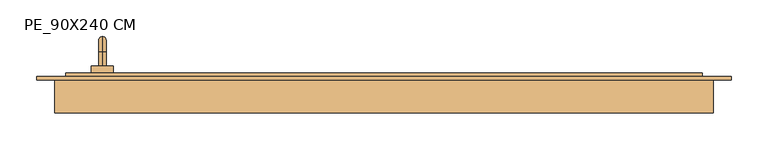
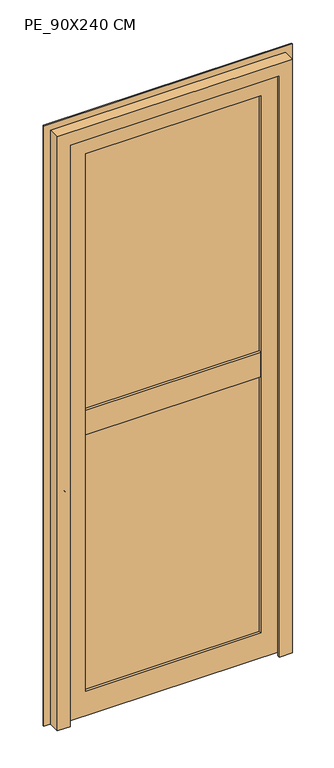
"""IFC4 building model written with IfcOpenShell, lengths in millimetres: door geometry, PE_90X240 CM."""

from ifc_helpers import new_model, si_unit, point, frame, origin, place, context, project, spatial, polyline, circle_curve, ellipse_curve, trimmed, outline, extrude, faceted_brep, source, transform, mapped, element, save
from ifc_brep_helpers import plane_surface, cylinder_surface, revolved_surface, advanced_brep


def pe_90x240_cm_ac53c6d5(model_context):
    return source(origin(), model_context, "Body", "SolidModel", [
        advanced_brep(
        [(-385.0, 170.0, 905.0), (-385.0, 189.0, 905.0), (-385.0, 189.0, 895.0), (-385.0, 170.0, 895.0), (-385.0, 210.0, 884.0), (-385.0, 200.0, 884.0), (-385.0, 210.0, 805.0), (-385.0, 200.0, 805.0), (-400.0, 170.0, 930.0), (-370.0, 170.0, 930.0), (-370.0, 170.0, 870.0), (-400.0, 170.0, 870.0), (-400.0, 160.0, 930.0), (-400.0, 160.0, 870.0), (-370.0, 160.0, 870.0), (-370.0, 160.0, 930.0)],
        [
            (0, 1),
            (1, 2, circle_curve(frame((-385.0, 189.0, 900.0), z_axis=(0.0, -1.0, 0.0), x_axis=(0.0, 0.0, -1.0)), 5.0)),
            (2, 3),
            (3, 0, circle_curve(frame((-385.0, 170.0, 900.0), z_axis=(0.0, 1.0, 0.0), x_axis=(0.0, 0.0, -1.0)), 5.0)),
            (0, 3, circle_curve(frame((-385.0, 170.0, 900.0), z_axis=(0.0, 1.0, 0.0), x_axis=(0.0, 0.0, -1.0)), 5.0)),
            (2, 1, circle_curve(frame((-385.0, 189.0, 900.0), z_axis=(0.0, -1.0, 0.0), x_axis=(0.0, 0.0, -1.0)), 5.0)),
            (1, 4, circle_curve(frame((-385.0, 189.0, 884.0), z_axis=(-1.0, 0.0, 0.0), x_axis=(0.0, 0.0, 1.0)), 21.0)),
            (4, 5, circle_curve(frame((-385.0, 205.0, 884.0), z_axis=(0.0, 0.0, 1.0), x_axis=(0.0, -1.0, 0.0)), 5.0)),
            (5, 2, circle_curve(frame((-385.0, 189.0, 884.0), z_axis=(1.0, 0.0, 0.0), x_axis=(0.0, 0.0, 1.0)), 11.0)),
            (5, 4, circle_curve(frame((-385.0, 205.0, 884.0), z_axis=(0.0, 0.0, 1.0), x_axis=(0.0, -1.0, 0.0)), 5.0)),
            (6, 7, circle_curve(frame((-385.0, 205.0, 805.0), z_axis=(0.0, 0.0, -1.0), x_axis=(0.0, -1.0, 0.0)), 5.0)),
            (7, 6, circle_curve(frame((-385.0, 205.0, 805.0), z_axis=(0.0, 0.0, -1.0), x_axis=(0.0, -1.0, 0.0)), 5.0)),
            (4, 6),
            (7, 5),
            (8, 9),
            (9, 10),
            (10, 11),
            (11, 8),
            (12, 13),
            (13, 14),
            (14, 15),
            (15, 12),
            (8, 12),
            (15, 9),
            (14, 10),
            (13, 11),
        ],
        [
            cylinder_surface(frame((-385.0, 170.0, 900.0), z_axis=(0.0, -1.0, 0.0), x_axis=(0.0, 0.0, -1.0)), 5.0),
            revolved_surface(trimmed(ellipse_curve(frame((-385.0, 189.0, 900.0), z_axis=(0.0, -1.0, 0.0), x_axis=(0.0, 0.0, -1.0)), 5.0, 5.0), [point((-385.0, 189.0, 905.0))], [point((-385.0, 189.0, 895.0))], True, "CARTESIAN"), (-385.0, 189.0, 884.0), (-1.0, 0.0, 0.0)),
            revolved_surface(trimmed(ellipse_curve(frame((-385.0, 189.0, 900.0), z_axis=(0.0, -1.0, 0.0), x_axis=(0.0, 0.0, -1.0)), 5.0, 5.0), [point((-385.0, 189.0, 895.0))], [point((-385.0, 189.0, 905.0))], True, "CARTESIAN"), (-385.0, 189.0, 884.0), (-1.0, 0.0, 0.0)),
            plane_surface(frame((-385.0, 205.0, 805.0), z_axis=(0.0, 0.0, -1.0), x_axis=(-1.0, 0.0, 0.0))),
            cylinder_surface(frame((-385.0, 205.0, 884.0), z_axis=(0.0, 0.0, 1.0), x_axis=(0.0, -1.0, 0.0)), 5.0),
            plane_surface(frame((-370.0, 170.0, 930.0), z_axis=(0.0, 1.0, 0.0), x_axis=(1.0, 0.0, 0.0))),
            plane_surface(frame((-370.0, 160.0, 930.0), z_axis=(0.0, -1.0, 0.0), x_axis=(-1.0, 0.0, 0.0))),
            plane_surface(frame((-400.0, 170.0, 930.0), z_axis=(0.0, 0.0, 1.0), x_axis=(0.0, -1.0, 0.0))),
            plane_surface(frame((-370.0, 170.0, 930.0), z_axis=(1.0, 0.0, 0.0), x_axis=(0.0, -1.0, 0.0))),
            plane_surface(frame((-370.0, 170.0, 870.0), z_axis=(0.0, 0.0, -1.0), x_axis=(0.0, -1.0, 0.0))),
            plane_surface(frame((-400.0, 170.0, 870.0), z_axis=(-1.0, 0.0, 0.0), x_axis=(0.0, -1.0, 0.0))),
        ],
        [
            (0, [[1, 2, 3, 4]]),
            (0, [[-1, 5, -3, 6]]),
            (1, [[-2, 7, 8, 9]]),
            (2, [[-6, -9, 10, -7]]),
            (3, [[11, 12]]),
            (4, [[-8, 13, -12, 14]]),
            (4, [[-10, -14, -11, -13]]),
            (5, [[15, 16, 17, 18], [-4, -5]]),
            (6, [[19, 20, 21, 22]]),
            (7, [[-15, 23, -22, 24]]),
            (8, [[-16, -24, -21, 25]]),
            (9, [[-17, -25, -20, 26]]),
            (10, [[-18, -26, -19, -23]]),
        ],
    ),
        extrude(outline(polyline([(150.0, 23.0), (150.0, 8.0), (145.0, 8.0), (145.0, 13.0), (130.0, 13.0), (130.0, 8.0), (125.0, 8.0), (125.0, 23.0), (150.0, 23.0)])), frame((-435.0, 0.0, 0.0), z_axis=(1.0, 0.0, 0.0), x_axis=(0.0, 1.0, 0.0)), (0.0, 0.0, 1.0), 870.0),
        faceted_brep([(435.0, 115.0, 40.0), (435.0, 115.0, 15.0), (435.0, 125.0, 15.0), (435.0, 125.0, 40.0), (-435.0, 115.0, 40.0), (-435.0, 125.0, 40.0), (-435.0, 125.0, 15.0), (-435.0, 115.0, 15.0), (410.0, 115.0, 40.0), (410.0, 115.0, 2360.0), (-410.0, 115.0, 2360.0), (-410.0, 115.0, 40.0), (-335.0, 115.0, 2285.0), (335.0, 115.0, 2285.0), (335.0, 115.0, 115.0), (-335.0, 115.0, 115.0), (-410.0, 125.0, 40.0), (410.0, 125.0, 40.0), (-435.0, 160.0, 2385.0), (-435.0, 150.0, 2385.0), (435.0, 150.0, 2385.0), (435.0, 160.0, 2385.0), (-360.0, 125.0, 2310.0), (-360.0, 160.0, 2310.0), (360.0, 160.0, 2310.0), (360.0, 125.0, 2310.0), (-335.0, 125.0, 2285.0), (335.0, 125.0, 2285.0), (-410.0, 150.0, 2360.0), (410.0, 150.0, 2360.0), (435.0, 150.0, 15.0), (435.0, 160.0, 15.0), (360.0, 160.0, 90.0), (360.0, 125.0, 90.0), (335.0, 125.0, 115.0), (410.0, 150.0, 40.0), (-435.0, 150.0, 15.0), (-435.0, 160.0, 15.0), (-360.0, 160.0, 90.0), (-360.0, 125.0, 90.0), (-335.0, 125.0, 115.0), (-410.0, 150.0, 40.0)], [[[0, 1, 2, 3]], [[4, 5, 6, 7]], [[1, 0, 8, 9, 10, 11, 4, 7], [12, 13, 14, 15]], [[2, 1, 7, 6]], [[3, 2, 6, 5, 16, 17]], [[0, 3, 17, 8]], [[5, 4, 11, 16]], [[18, 19, 20, 21]], [[22, 23, 24, 25]], [[12, 26, 27, 13]], [[28, 10, 9, 29]], [[21, 20, 30, 31]], [[25, 24, 32, 33]], [[13, 27, 34, 14]], [[29, 9, 8, 17, 35]], [[31, 30, 36, 37]], [[33, 32, 38, 39]], [[14, 34, 40, 15]], [[41, 35, 17, 16]], [[19, 18, 37, 36]], [[18, 21, 31, 37], [24, 23, 38, 32]], [[23, 22, 39, 38]], [[22, 25, 33, 39], [27, 26, 40, 34]], [[26, 12, 15, 40]], [[10, 28, 41, 16, 11]], [[20, 19, 36, 30], [28, 29, 35, 41]]]),
        extrude(outline(polyline([(125.0, 1225.0), (160.0, 1225.0), (160.0, 1175.0), (125.0, 1175.0), (125.0, 1150.0), (115.0, 1150.0), (115.0, 1250.0), (125.0, 1250.0), (125.0, 1225.0)])), frame((-335.0, 0.0, 0.0), z_axis=(1.0, 0.0, 0.0), x_axis=(0.0, 1.0, 0.0)), (0.0, 0.0, 1.0), 670.0),
        extrude(outline(polyline([(335.0, 160.0), (335.0, 139.0), (-335.0, 139.0), (-335.0, 160.0), (335.0, 160.0)])), frame((0.0, 0.0, 1225.0), z_axis=(0.0, 0.0, 1.0), x_axis=(1.0, 0.0, 0.0)), (0.0, 0.0, 1.0), 25.0),
        extrude(outline(polyline([(335.0, 160.0), (335.0, 139.0), (-335.0, 139.0), (-335.0, 160.0), (335.0, 160.0)])), frame((0.0, 0.0, 1150.0), z_axis=(0.0, 0.0, 1.0), x_axis=(1.0, 0.0, 0.0)), (0.0, 0.0, 1.0), 25.0),
        faceted_brep([(-450.0, 105.0, 0.0), (-450.0, 150.0, 0.0), (-425.0, 150.0, 0.0), (-425.0, 115.0, 0.0), (-400.0, 115.0, 0.0), (-400.0, 105.0, 0.0), (-450.0, 105.0, 2400.0), (-450.0, 150.0, 2400.0), (450.0, 150.0, 2400.0), (450.0, 150.0, 0.0), (425.0, 150.0, 0.0), (425.0, 150.0, 2375.0), (-425.0, 150.0, 2375.0), (-425.0, 115.0, 2375.0), (425.0, 115.0, 2375.0), (425.0, 115.0, 0.0), (400.0, 115.0, 0.0), (400.0, 115.0, 2350.0), (-400.0, 115.0, 2350.0), (-400.0, 105.0, 2350.0), (400.0, 105.0, 2350.0), (400.0, 105.0, 0.0), (450.0, 105.0, 0.0), (450.0, 105.0, 2400.0)], [[[0, 1, 2, 3, 4, 5]], [[1, 0, 6, 7]], [[2, 1, 7, 8, 9, 10, 11, 12]], [[3, 2, 12, 13]], [[4, 3, 13, 14, 15, 16, 17, 18]], [[5, 4, 18, 19]], [[0, 5, 19, 20, 21, 22, 23, 6]], [[7, 6, 23, 8]], [[13, 12, 11, 14]], [[19, 18, 17, 20]], [[22, 21, 16, 15, 10, 9]], [[8, 23, 22, 9]], [[14, 11, 10, 15]], [[20, 17, 16, 21]]]),
        extrude(outline(polyline([(2310.0, -360.0), (90.0, -360.0), (90.0, 360.0), (2310.0, 360.0), (2310.0, -360.0)]), holes=[polyline([(2285.0, 335.0), (115.0, 335.0), (115.0, -335.0), (2285.0, -335.0), (2285.0, 335.0)])]), frame((0.0, 139.0, 0.0), z_axis=(0.0, 1.0, 0.0), x_axis=(0.0, 0.0, 1.0)), (0.0, 0.0, 1.0), 21.0),
        extrude(outline(polyline([(0.0, -475.0), (0.0, -440.0), (2390.0, -440.0), (2390.0, 440.0), (0.0, 440.0), (0.0, 475.0), (2425.0, 475.0), (2425.0, -475.0), (0.0, -475.0)])), frame((0.0, 150.0, 0.0), z_axis=(0.0, 1.0, 0.0), x_axis=(0.0, 0.0, 1.0)), (0.0, 0.0, 1.0), 5.0),
        extrude(outline(polyline([(350.0, 139.0), (350.0, 125.0), (-350.0, 125.0), (-350.0, 139.0), (350.0, 139.0)])), frame((0.0, 0.0, 1235.0), z_axis=(0.0, 0.0, 1.0), x_axis=(1.0, 0.0, 0.0)), (0.0, 0.0, 1.0), 1065.0),
        extrude(outline(polyline([(350.0, 139.0), (350.0, 125.0), (-350.0, 125.0), (-350.0, 139.0), (350.0, 139.0)])), frame((0.0, 0.0, 100.0), z_axis=(0.0, 0.0, 1.0), x_axis=(1.0, 0.0, 0.0)), (0.0, 0.0, 1.0), 1065.0),
    ])


if __name__ == "__main__":
    model = new_model("IFC4")
    model_context = context("Model", 3, world=origin())
    ifc_project = project(units=[si_unit("LENGTHUNIT", "METRE", prefix="MILLI")], contexts=[model_context])
    site = spatial("IfcSite", under=ifc_project)
    building = spatial("IfcBuilding", under=site)
    placement = place(None, origin())
    pe_90x240_cm_shape = pe_90x240_cm_ac53c6d5(model_context)
    element("IfcDoor", 1, ObjectType="PE_90X240 CM", at=placement, inside=building, context=model_context, shape_type="MappedRepresentation", body=[
        mapped(pe_90x240_cm_shape, transform((0.0, 0.0, 0.0), x_axis=(1.0, 0.0, 0.0), y_axis=(0.0, 1.0, 0.0), z_axis=(0.0, 0.0, 1.0))),
    ])
    save(model, "model.ifc")
